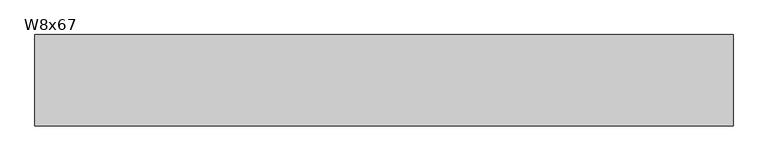
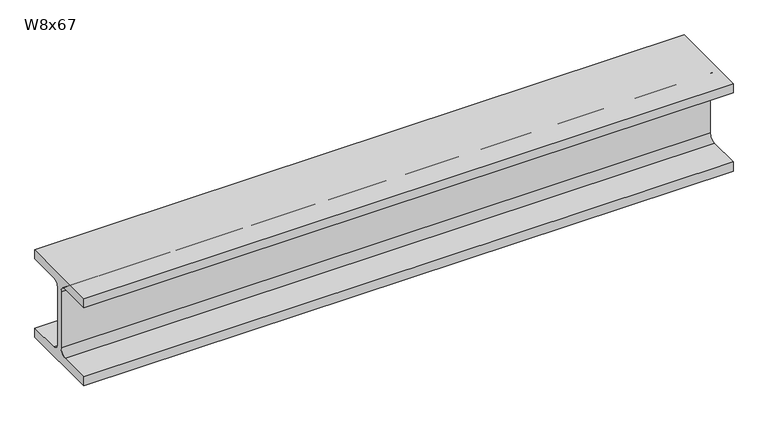
"""IFC4 building model written with IfcOpenShell, lengths in millimetres: beam geometry, W8x67."""

from ifc_helpers import new_model, si_unit, point, frame, frame_2d, origin, place, context, project, spatial, polyline, circle_curve, trimmed, segment, composite_curve, outline, extrude, source, transform, mapped, element, save


def w8x67_a140d557(model_context):
    return source(origin(), model_context, "Body", "SweptSolid", [
        extrude(outline(composite_curve([segment(polyline([(105.156, -90.551), (105.156, -114.3), (-105.156, -114.3), (-105.156, -90.551), (-24.765, -90.551)]), True, "CONTINUOUS"), segment(trimmed(circle_curve(frame_2d((-24.765, -73.025)), 17.526), [point((-24.765, -90.551))], [point((-7.239, -73.025))], True, "CARTESIAN"), True, "CONTINUOUS"), segment(polyline([(-7.239, -73.025), (-7.239, 73.025)]), True, "CONTINUOUS"), segment(trimmed(circle_curve(frame_2d((-24.765, 73.025)), 17.526), [point((-7.239, 73.025))], [point((-24.765, 90.551))], True, "CARTESIAN"), True, "CONTINUOUS"), segment(polyline([(-24.765, 90.551), (-105.156, 90.551), (-105.156, 114.3), (105.156, 114.3), (105.156, 90.551), (24.765, 90.551)]), True, "CONTINUOUS"), segment(trimmed(circle_curve(frame_2d((24.765, 73.025)), 17.526), [point((24.765, 90.551))], [point((7.239, 73.025))], True, "CARTESIAN"), True, "CONTINUOUS"), segment(polyline([(7.239, 73.025), (7.239, -73.025)]), True, "CONTINUOUS"), segment(trimmed(circle_curve(frame_2d((24.765, -73.025)), 17.526), [point((7.239, -73.025))], [point((24.765, -90.551))], True, "CARTESIAN"), True, "CONTINUOUS"), segment(polyline([(24.765, -90.551), (105.156, -90.551)]), True, "CONTINUOUS")], self_intersect=False)), frame((-803.275, 0.0, 0.0), z_axis=(1.0, 0.0, 0.0), x_axis=(0.0, 1.0, 0.0)), (0.0, 0.0, 1.0), 1606.55),
    ])


if __name__ == "__main__":
    model = new_model("IFC4")
    model_context = context("Model", 3, world=origin())
    ifc_project = project(units=[si_unit("LENGTHUNIT", "METRE", prefix="MILLI")], contexts=[model_context])
    site = spatial("IfcSite", under=ifc_project)
    building = spatial("IfcBuilding", under=site)
    placement = place(None, origin())
    w8x67_shape = w8x67_a140d557(model_context)
    element("IfcBeam", 1, ObjectType="W8x67", at=placement, inside=building, context=model_context, shape_type="MappedRepresentation", body=[
        mapped(w8x67_shape, transform((0.0, 0.0, 0.0), x_axis=(1.0, 0.0, 0.0), y_axis=(0.0, 1.0, 0.0), z_axis=(0.0, 0.0, 1.0))),
    ])
    save(model, "model.ifc")
